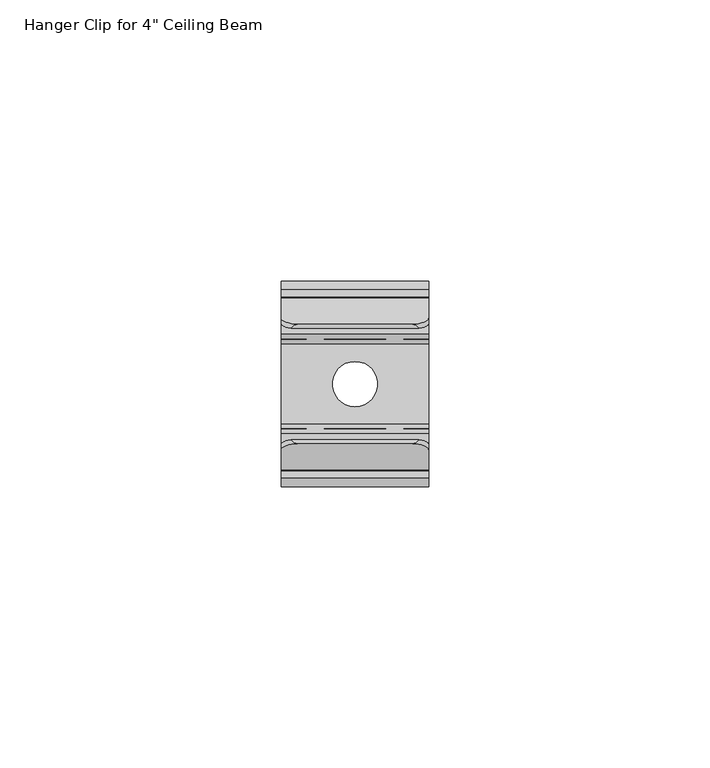
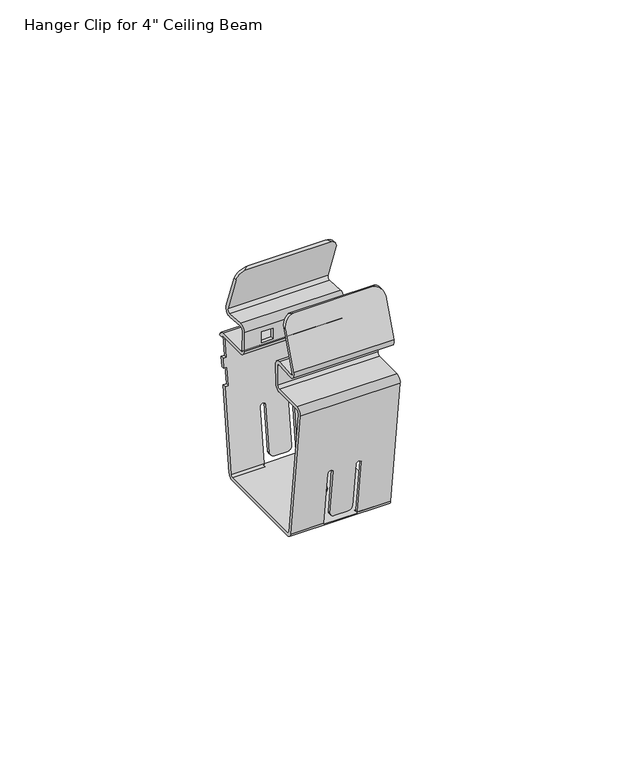
"""IFC4 building model written with IfcOpenShell, lengths in millimetres: proxy geometry."""

from ifc_helpers import new_model, si_unit, frame, origin, place, context, project, spatial, polyline, circle_curve, ellipse_curve, source, transform, mapped, element, save
from ifc_brep_helpers import plane_surface, cylinder_surface, revolved_surface, advanced_brep


def proxy_196735fa(model_context):
    return source(origin(), model_context, "Body", "AdvancedBrep", [
        advanced_brep(
        [(-0.045, 15.3451199, 183.8583087), (-0.045, 13.8049962, 181.8169039), (-0.045, 8.7938975, 182.1730228), (-0.045, 7.9779975, 181.399641), (-0.045, 8.0703061, 176.1112802), (-0.045, 8.8321901, 175.3625789), (-0.045, 16.7768681, 175.3625789), (-0.045, 18.2781782, 174.1005789), (-0.045, 17.4410608, 174.1005789), (-0.045, 16.7768681, 174.5525789), (-0.045, 8.8321901, 174.5525789), (-0.045, 7.2604295, 176.0971438), (-0.045, 7.1681208, 181.3855045), (-0.045, 8.8513162, 182.9809851), (-0.045, 13.8624149, 182.6248662), (-0.045, 14.5839689, 183.5812724), (-0.045, 10.8835423, 193.7481109), (-0.045, 11.7455263, 193.7481109), (-0.045, 13.944677, 138.267038), (-0.045, 12.5580901, 137.0402895), (-0.045, -12.5580901, 137.0402895), (-0.045, -13.944677, 138.267038), (-0.045, -18.2895084, 173.6528501), (-0.045, -16.7768681, 175.3625789), (-0.045, -8.8321901, 175.3625789), (-0.045, -8.0703061, 176.1112802), (-0.045, -7.9779975, 181.399641), (-0.045, -8.7938975, 182.1730228), (-0.045, -13.8049962, 181.8169039), (-0.045, -15.3451199, 183.8583087), (-0.045, -11.7455263, 193.7481109), (-0.045, -10.8835423, 193.7481109), (-0.045, -14.5839689, 183.5812724), (-0.045, -13.8624149, 182.6248662), (-0.045, -8.8513162, 182.9809851), (-0.045, -7.1681208, 181.3855045), (-0.045, -7.2604295, 176.0971438), (-0.045, -8.8321901, 174.5525789), (-0.045, -16.7768681, 174.5525789), (-0.045, -17.4855461, 173.7515642), (-0.045, -13.1407147, 138.3657522), (-0.045, -12.5580901, 137.8502895), (-0.045, 12.5580901, 137.8502895), (-0.045, 13.1407147, 138.3657522), (-0.045, 15.9322004, 161.1005789), (-0.045, 16.7482833, 161.1005789), (-0.045, 17.6522127, 168.4624925), (-0.045, 17.3299883, 165.8381859), (-0.045, 16.5139054, 165.8381859), (-0.045, 16.8361297, 168.4624925), (26.245, 14.5839689, 183.5812724), (26.245, 13.8624149, 182.6248662), (26.245, 8.8513162, 182.9809851), (26.245, 7.1681208, 181.3855045), (26.245, 7.2604295, 176.0971438), (26.245, 8.8321901, 174.5525789), (26.245, 16.7768681, 174.5525789), (26.245, 17.4410608, 174.1005789), (26.245, 18.2781782, 174.1005789), (26.245, 16.7768681, 175.3625789), (26.245, 8.8321901, 175.3625789), (26.245, 8.0703061, 176.1112802), (26.245, 7.9779975, 181.399641), (26.245, 8.7938975, 182.1730228), (26.245, 13.8049962, 181.8169039), (26.245, 15.3451199, 183.8583087), (26.245, 11.7455263, 193.7481109), (26.245, 10.8835423, 193.7481109), (26.245, 13.1407147, 138.3657522), (26.245, 12.5580901, 137.8502895), (26.245, -12.5580901, 137.8502895), (26.245, -13.1407147, 138.3657522), (26.245, -17.4855461, 173.7515642), (26.245, -16.7768681, 174.5525789), (26.245, -8.8321901, 174.5525789), (26.245, -7.2604295, 176.0971438), (26.245, -7.1681208, 181.3855045), (26.245, -8.8513162, 182.9809851), (26.245, -13.8624149, 182.6248662), (26.245, -14.5839689, 183.5812724), (26.245, -10.8835423, 193.7481109), (26.245, -11.7455263, 193.7481109), (26.245, -15.3451199, 183.8583087), (26.245, -13.8049962, 181.8169039), (26.245, -8.7938975, 182.1730228), (26.245, -7.9779975, 181.399641), (26.245, -8.0703061, 176.1112802), (26.245, -8.8321901, 175.3625789), (26.245, -16.7768681, 175.3625789), (26.245, -18.2895084, 173.6528501), (26.245, -13.944677, 138.267038), (26.245, -12.5580901, 137.0402895), (26.245, 12.5580901, 137.0402895), (26.245, 13.944677, 138.267038), (26.245, 16.7482833, 161.1005789), (26.245, 15.9322004, 161.1005789), (26.245, 16.8361297, 168.4624925), (26.245, 16.5139054, 165.8381859), (26.245, 17.3299883, 165.8381859), (26.245, 17.6522127, 168.4624925), (18.6649765, 8.0021925, 180.0135098), (18.6649765, 8.0545577, 177.0135098), (21.6649765, 8.0545577, 177.0135098), (21.6649765, 8.0021925, 180.0135098), (4.5350235, 8.0545577, 177.0135098), (7.5350235, 8.0545577, 177.0135098), (7.5350235, 8.0021925, 180.0135098), (4.5350235, 8.0021925, 180.0135098), (25.345, 18.2781782, 174.1005789), (25.345, 18.2895084, 173.6528501), (0.855, 18.2895084, 173.6528501), (0.855, 18.2781782, 174.1005789), (17.545, 13.944677, 138.267038), (17.545, 15.7693791, 153.1280438), (16.021, 15.7693791, 153.1280438), (16.021, 14.2478871, 140.7364861), (14.751, 14.0987644, 139.5219791), (11.449, 14.0987644, 139.5219791), (10.179, 14.2478871, 140.7364861), (10.179, 15.7683122, 153.1193544), (8.655, 15.7693791, 153.1280438), (8.655, 13.944677, 138.267038), (0.855, 16.7482833, 161.1005789), (0.855, 17.3299883, 165.8381859), (0.855, 17.6522127, 168.4624925), (25.345, 17.6522127, 168.4624925), (25.345, 17.3299883, 165.8381859), (25.345, 16.7482833, 161.1005789), (8.655, 13.8257809, 137.8502895), (17.545, 13.8257809, 137.8502895), (13.1, -4.0, 137.0402895), (13.1, 4.0, 137.0402895), (17.545, -13.944677, 138.267038), (17.545, -13.8257809, 137.8502895), (8.655, -13.8257809, 137.8502895), (8.655, -13.944677, 138.267038), (8.655, -15.7693791, 153.1280438), (10.179, -15.7683122, 153.1193544), (10.179, -14.2478871, 140.7364861), (11.449, -14.0987644, 139.5219791), (14.751, -14.0987644, 139.5219791), (16.021, -14.2478871, 140.7364861), (16.021, -15.7693791, 153.1280438), (17.545, -15.7693791, 153.1280438), (18.6649765, -8.0545577, 177.0135098), (18.6649765, -8.0021925, 180.0135098), (21.6649765, -8.0021925, 180.0135098), (21.6649765, -8.0545577, 177.0135098), (7.5350235, -8.0545577, 177.0135098), (4.5350235, -8.0545577, 177.0135098), (4.5350235, -8.0021925, 180.0135098), (7.5350235, -8.0021925, 180.0135098), (23.2552022, -10.6533985, 196.7487075), (2.9447978, -10.6533985, 196.7487075), (24.4428624, -9.8922474, 196.4716712), (1.7571376, -9.8922474, 196.4716712), (18.6649765, -7.1920691, 180.0135098), (18.6649765, -7.2444343, 177.0135098), (21.6649765, -7.2444343, 177.0135098), (21.6649765, -7.1920691, 180.0135098), (4.5350235, -7.2444343, 177.0135098), (7.5350235, -7.2444343, 177.0135098), (7.5350235, -7.1920691, 180.0135098), (4.5350235, -7.1920691, 180.0135098), (17.545, -13.1407147, 138.3657522), (17.545, -14.9532962, 153.1280438), (16.021, -14.9532962, 153.1280438), (16.021, -13.4318042, 140.7364861), (14.751, -13.2826815, 139.5219791), (11.449, -13.2826815, 139.5219791), (10.179, -13.4318042, 140.7364861), (10.179, -14.9522292, 153.1193544), (8.655, -14.9532962, 153.1280438), (8.655, -13.1407147, 138.3657522), (8.655, -12.5580901, 137.8502895), (17.545, -12.5580901, 137.8502895), (17.545, 12.5580901, 137.8502895), (8.655, 12.5580901, 137.8502895), (13.1, 4.0, 137.8502895), (13.1, -4.0, 137.8502895), (8.655, 13.1407147, 138.3657522), (17.545, 13.1407147, 138.3657522), (25.345, 15.9322004, 161.1005789), (25.345, 16.5139054, 165.8381859), (25.345, 16.8361297, 168.4624925), (25.345, 17.4855461, 173.7515642), (0.855, 17.4855461, 173.7515642), (0.855, 16.8361297, 168.4624925), (0.855, 16.5139054, 165.8381859), (0.855, 15.9322004, 161.1005789), (8.655, 14.9532962, 153.1280438), (10.179, 14.9522292, 153.1193544), (10.179, 13.4318042, 140.7364861), (11.449, 13.2826815, 139.5219791), (14.751, 13.2826815, 139.5219791), (16.021, 13.4318042, 140.7364861), (16.021, 14.9532962, 153.1280438), (17.545, 14.9532962, 153.1280438), (0.855, 17.4410608, 174.1005789), (25.345, 17.4410608, 174.1005789), (18.6649765, 7.2444343, 177.0135098), (18.6649765, 7.1920691, 180.0135098), (21.6649765, 7.1920691, 180.0135098), (21.6649765, 7.2444343, 177.0135098), (7.5350235, 7.2444343, 177.0135098), (4.5350235, 7.2444343, 177.0135098), (4.5350235, 7.1920691, 180.0135098), (7.5350235, 7.1920691, 180.0135098), (24.4428624, 9.8922474, 196.4716712), (1.7571376, 9.8922474, 196.4716712), (23.2552022, 10.6533985, 196.7487075), (2.9447978, 10.6533985, 196.7487075)],
        [
            (0, 1, circle_curve(frame((-0.045, 13.9130284, 183.33707), z_axis=(-1.0, 0.0, 0.0), x_axis=(0.0, -1.0, 0.0)), 1.524)),
            (1, 2),
            (2, 3, circle_curve(frame((-0.045, 8.7398814, 181.4129397), z_axis=(1.0, 0.0, 0.0), x_axis=(0.0, -1.0, 0.0)), 0.762)),
            (3, 4),
            (4, 5, circle_curve(frame((-0.045, 8.8321901, 176.1245789), z_axis=(1.0, 0.0, 0.0), x_axis=(0.0, -1.0, 0.0)), 0.762)),
            (5, 6),
            (6, 7, circle_curve(frame((-0.045, 16.7768681, 173.8385789), z_axis=(-1.0, 0.0, 0.0), x_axis=(0.0, -1.0, 0.0)), 1.524)),
            (7, 8),
            (8, 9, circle_curve(frame((-0.045, 16.7768681, 173.8385789), z_axis=(1.0, 0.0, 0.0), x_axis=(0.0, -1.0, 0.0)), 0.714)),
            (9, 10),
            (10, 11, circle_curve(frame((-0.045, 8.8321901, 176.1245789), z_axis=(-1.0, 0.0, 0.0), x_axis=(0.0, -1.0, 0.0)), 1.572)),
            (11, 12),
            (12, 13, circle_curve(frame((-0.045, 8.7398814, 181.4129397), z_axis=(-1.0, 0.0, 0.0), x_axis=(0.0, -1.0, 0.0)), 1.572)),
            (13, 14),
            (14, 15, circle_curve(frame((-0.045, 13.9130284, 183.33707), z_axis=(1.0, 0.0, 0.0), x_axis=(0.0, -1.0, 0.0)), 0.714)),
            (15, 16),
            (16, 17),
            (17, 0),
            (18, 19, circle_curve(frame((-0.045, 12.5580901, 138.4372895), z_axis=(-1.0, 0.0, 0.0), x_axis=(0.0, -1.0, 0.0)), 1.397)),
            (19, 20),
            (20, 21, circle_curve(frame((-0.045, -12.5580901, 138.4372895), z_axis=(-1.0, 0.0, 0.0), x_axis=(0.0, -1.0, 0.0)), 1.397)),
            (21, 22),
            (22, 23, circle_curve(frame((-0.045, -16.7768681, 173.8385789), z_axis=(-1.0, 0.0, 0.0), x_axis=(0.0, -1.0, 0.0)), 1.524)),
            (23, 24),
            (24, 25, circle_curve(frame((-0.045, -8.8321901, 176.1245789), z_axis=(1.0, 0.0, 0.0), x_axis=(0.0, -1.0, 0.0)), 0.762)),
            (25, 26),
            (26, 27, circle_curve(frame((-0.045, -8.7398814, 181.4129397), z_axis=(1.0, 0.0, 0.0), x_axis=(0.0, -1.0, 0.0)), 0.762)),
            (27, 28),
            (28, 29, circle_curve(frame((-0.045, -13.9130284, 183.33707), z_axis=(-1.0, 0.0, 0.0), x_axis=(0.0, -1.0, 0.0)), 1.524)),
            (29, 30),
            (30, 31),
            (31, 32),
            (32, 33, circle_curve(frame((-0.045, -13.9130284, 183.33707), z_axis=(1.0, 0.0, 0.0), x_axis=(0.0, -1.0, 0.0)), 0.714)),
            (33, 34),
            (34, 35, circle_curve(frame((-0.045, -8.7398814, 181.4129397), z_axis=(-1.0, 0.0, 0.0), x_axis=(0.0, -1.0, 0.0)), 1.572)),
            (35, 36),
            (36, 37, circle_curve(frame((-0.045, -8.8321901, 176.1245789), z_axis=(-1.0, 0.0, 0.0), x_axis=(0.0, -1.0, 0.0)), 1.572)),
            (37, 38),
            (38, 39, circle_curve(frame((-0.045, -16.7768681, 173.8385789), z_axis=(1.0, 0.0, 0.0), x_axis=(0.0, -1.0, 0.0)), 0.714)),
            (39, 40),
            (40, 41, circle_curve(frame((-0.045, -12.5580901, 138.4372895), z_axis=(1.0, 0.0, 0.0), x_axis=(0.0, -1.0, 0.0)), 0.587)),
            (41, 42),
            (42, 43, circle_curve(frame((-0.045, 12.5580901, 138.4372895), z_axis=(1.0, 0.0, 0.0), x_axis=(0.0, -1.0, 0.0)), 0.587)),
            (43, 44),
            (44, 45),
            (45, 18),
            (46, 47),
            (47, 48),
            (48, 49),
            (49, 46),
            (50, 51, circle_curve(frame((26.245, 13.9130284, 183.33707), z_axis=(-1.0, 0.0, 0.0), x_axis=(0.0, -1.0, 0.0)), 0.714)),
            (51, 52),
            (52, 53, circle_curve(frame((26.245, 8.7398814, 181.4129397), z_axis=(1.0, 0.0, 0.0), x_axis=(0.0, -1.0, 0.0)), 1.572)),
            (53, 54),
            (54, 55, circle_curve(frame((26.245, 8.8321901, 176.1245789), z_axis=(1.0, 0.0, 0.0), x_axis=(0.0, -1.0, 0.0)), 1.572)),
            (55, 56),
            (56, 57, circle_curve(frame((26.245, 16.7768681, 173.8385789), z_axis=(-1.0, 0.0, 0.0), x_axis=(0.0, -1.0, 0.0)), 0.714)),
            (57, 58),
            (58, 59, circle_curve(frame((26.245, 16.7768681, 173.8385789), z_axis=(1.0, 0.0, 0.0), x_axis=(0.0, -1.0, 0.0)), 1.524)),
            (59, 60),
            (60, 61, circle_curve(frame((26.245, 8.8321901, 176.1245789), z_axis=(-1.0, 0.0, 0.0), x_axis=(0.0, -1.0, 0.0)), 0.762)),
            (61, 62),
            (62, 63, circle_curve(frame((26.245, 8.7398814, 181.4129397), z_axis=(-1.0, 0.0, 0.0), x_axis=(0.0, -1.0, 0.0)), 0.762)),
            (63, 64),
            (64, 65, circle_curve(frame((26.245, 13.9130284, 183.33707), z_axis=(1.0, 0.0, 0.0), x_axis=(0.0, -1.0, 0.0)), 1.524)),
            (65, 66),
            (66, 67),
            (67, 50),
            (68, 69, circle_curve(frame((26.245, 12.5580901, 138.4372895), z_axis=(-1.0, 0.0, 0.0), x_axis=(0.0, -1.0, 0.0)), 0.587)),
            (69, 70),
            (70, 71, circle_curve(frame((26.245, -12.5580901, 138.4372895), z_axis=(-1.0, 0.0, 0.0), x_axis=(0.0, -1.0, 0.0)), 0.587)),
            (71, 72),
            (72, 73, circle_curve(frame((26.245, -16.7768681, 173.8385789), z_axis=(-1.0, 0.0, 0.0), x_axis=(0.0, -1.0, 0.0)), 0.714)),
            (73, 74),
            (74, 75, circle_curve(frame((26.245, -8.8321901, 176.1245789), z_axis=(1.0, 0.0, 0.0), x_axis=(0.0, -1.0, 0.0)), 1.572)),
            (75, 76),
            (76, 77, circle_curve(frame((26.245, -8.7398814, 181.4129397), z_axis=(1.0, 0.0, 0.0), x_axis=(0.0, -1.0, 0.0)), 1.572)),
            (77, 78),
            (78, 79, circle_curve(frame((26.245, -13.9130284, 183.33707), z_axis=(-1.0, 0.0, 0.0), x_axis=(0.0, -1.0, 0.0)), 0.714)),
            (79, 80),
            (80, 81),
            (81, 82),
            (82, 83, circle_curve(frame((26.245, -13.9130284, 183.33707), z_axis=(1.0, 0.0, 0.0), x_axis=(0.0, -1.0, 0.0)), 1.524)),
            (83, 84),
            (84, 85, circle_curve(frame((26.245, -8.7398814, 181.4129397), z_axis=(-1.0, 0.0, 0.0), x_axis=(0.0, -1.0, 0.0)), 0.762)),
            (85, 86),
            (86, 87, circle_curve(frame((26.245, -8.8321901, 176.1245789), z_axis=(-1.0, 0.0, 0.0), x_axis=(0.0, -1.0, 0.0)), 0.762)),
            (87, 88),
            (88, 89, circle_curve(frame((26.245, -16.7768681, 173.8385789), z_axis=(1.0, 0.0, 0.0), x_axis=(0.0, -1.0, 0.0)), 1.524)),
            (89, 90),
            (90, 91, circle_curve(frame((26.245, -12.5580901, 138.4372895), z_axis=(1.0, 0.0, 0.0), x_axis=(0.0, -1.0, 0.0)), 1.397)),
            (91, 92),
            (92, 93, circle_curve(frame((26.245, 12.5580901, 138.4372895), z_axis=(1.0, 0.0, 0.0), x_axis=(0.0, -1.0, 0.0)), 1.397)),
            (93, 94),
            (94, 95),
            (95, 68),
            (96, 97),
            (97, 98),
            (98, 99),
            (99, 96),
            (0, 65),
            (64, 1),
            (63, 2),
            (62, 3),
            (61, 4),
            (100, 101),
            (101, 102),
            (102, 103),
            (103, 100),
            (104, 105),
            (105, 106),
            (106, 107),
            (107, 104),
            (60, 5),
            (59, 6),
            (58, 108),
            (108, 109, circle_curve(frame((25.345, 16.7768681, 173.8385789), z_axis=(-1.0, 0.0, 0.0), x_axis=(0.0, -1.0, 0.0)), 1.524)),
            (109, 110),
            (110, 111, circle_curve(frame((0.855, 16.7768681, 173.8385789), z_axis=(1.0, 0.0, 0.0), x_axis=(0.0, -1.0, 0.0)), 1.524)),
            (111, 7),
            (93, 112),
            (112, 113),
            (113, 114, ellipse_curve(frame((16.783, 15.7688456, 153.1236991), z_axis=(0.0, -0.9925461516413259, 0.12186934340511611), x_axis=(0.0, 0.12186934340511688, 0.9925461516413258)), 0.767735, 0.7620124)),
            (114, 115),
            (115, 116, ellipse_curve(frame((14.7781403, 14.2513718, 140.7648665), z_axis=(0.0, 0.9925461516413259, -0.12186934340511611), x_axis=(0.0, -0.12186934340511688, -0.9925461516413258)), 1.2525198, 1.2431837)),
            (116, 117),
            (117, 118, ellipse_curve(frame((11.4218597, 14.2513718, 140.7648665), z_axis=(0.0, 0.9925461516413259, -0.12186934340511611), x_axis=(0.0, -0.12186934340511688, -0.9925461516413258)), 1.2525198, 1.2431837)),
            (118, 119),
            (119, 120, ellipse_curve(frame((9.417, 15.7688456, 153.1236991), z_axis=(0.0, -0.9925461516413259, 0.12186934340511611), x_axis=(0.0, 0.12186934340511688, 0.9925461516413258)), 0.767735, 0.7620124)),
            (120, 121),
            (121, 18),
            (45, 122),
            (122, 123),
            (123, 47),
            (46, 124),
            (124, 110),
            (109, 125),
            (125, 99),
            (98, 126),
            (126, 127),
            (127, 94),
            (121, 128, circle_curve(frame((8.655, 12.5580901, 138.4372895), z_axis=(-1.0, 0.0, 0.0), x_axis=(0.0, -1.0, 0.0)), 1.397)),
            (128, 129),
            (129, 112, circle_curve(frame((17.545, 12.5580901, 138.4372895), z_axis=(1.0, 0.0, 0.0), x_axis=(0.0, -1.0, 0.0)), 1.397)),
            (92, 19),
            (91, 20),
            (130, 131, circle_curve(frame((13.1, 0.0, 137.0402895), z_axis=(0.0, 0.0, 1.0), x_axis=(0.0, 1.0, 0.0)), 4.0)),
            (131, 130, circle_curve(frame((13.1, 0.0, 137.0402895), z_axis=(0.0, 0.0, 1.0), x_axis=(0.0, 1.0, 0.0)), 4.0)),
            (90, 132),
            (132, 133, circle_curve(frame((17.545, -12.5580901, 138.4372895), z_axis=(1.0, 0.0, 0.0), x_axis=(0.0, -1.0, 0.0)), 1.397)),
            (133, 134),
            (134, 135, circle_curve(frame((8.655, -12.5580901, 138.4372895), z_axis=(-1.0, 0.0, 0.0), x_axis=(0.0, -1.0, 0.0)), 1.397)),
            (135, 21),
            (135, 136),
            (136, 137, ellipse_curve(frame((9.417, -15.7688456, 153.1236991), z_axis=(0.0, 0.9925461516413222, 0.12186934340514596), x_axis=(0.0, 0.12186934340514537, -0.9925461516413223)), 0.767735, 0.7620124)),
            (137, 138),
            (138, 139, ellipse_curve(frame((11.4218597, -14.2513718, 140.7648665), z_axis=(0.0, -0.9925461516413222, -0.12186934340514596), x_axis=(0.0, -0.12186934340514537, 0.9925461516413223)), 1.2525198, 1.2431837)),
            (139, 140),
            (140, 141, ellipse_curve(frame((14.7781403, -14.2513718, 140.7648665), z_axis=(0.0, -0.9925461516413222, -0.12186934340514596), x_axis=(0.0, -0.12186934340514537, 0.9925461516413223)), 1.2525198, 1.2431837)),
            (141, 142),
            (142, 143, ellipse_curve(frame((16.783, -15.7688456, 153.1236991), z_axis=(0.0, 0.9925461516413222, 0.12186934340514596), x_axis=(0.0, 0.12186934340514537, -0.9925461516413223)), 0.767735, 0.7620124)),
            (143, 132),
            (89, 22),
            (88, 23),
            (87, 24),
            (86, 25),
            (85, 26),
            (144, 145),
            (145, 146),
            (146, 147),
            (147, 144),
            (148, 149),
            (149, 150),
            (150, 151),
            (151, 148),
            (84, 27),
            (83, 28),
            (82, 29),
            (81, 152, ellipse_curve(frame((23.1623511, -11.7752764, 193.6663734), z_axis=(0.0, -0.9396926207858924, 0.3420201433257125), x_axis=(0.0, -0.3420201433257127, -0.9396926207858924)), 3.2816394, 3.0837323)),
            (152, 153),
            (153, 30, ellipse_curve(frame((3.0376489, -11.7752764, 193.6663734), z_axis=(0.0, -0.9396926207858924, 0.3420201433257125), x_axis=(0.0, -0.3420201433257127, -0.9396926207858924)), 3.2816394, 3.0837323)),
            (152, 154, ellipse_curve(frame((23.1623511, -2.184755, 193.6663734), z_axis=(0.0, 0.34202014332569053, 0.9396926207859004), x_axis=(0.0, -0.9396926207859005, 0.3420201433256906)), 9.0162302, 3.0837323)),
            (154, 155),
            (155, 153, ellipse_curve(frame((3.0376489, -2.184755, 193.6663734), z_axis=(0.0, 0.34202014332569053, 0.9396926207859004), x_axis=(0.0, -0.9396926207859005, 0.3420201433256906)), 9.0162302, 3.0837323)),
            (79, 32),
            (31, 155, ellipse_curve(frame((3.0376489, -10.9132924, 193.6663734), z_axis=(0.0, 0.9396926207858953, -0.34202014332570446), x_axis=(0.0, -0.34202014332570485, -0.9396926207858952)), 3.2816394, 3.0837323)),
            (154, 80, ellipse_curve(frame((23.1623511, -10.9132924, 193.6663734), z_axis=(0.0, 0.9396926207858953, -0.34202014332570446), x_axis=(0.0, -0.34202014332570485, -0.9396926207858952)), 3.2816394, 3.0837323)),
            (78, 33),
            (77, 34),
            (76, 35),
            (75, 36),
            (156, 157),
            (157, 158),
            (158, 159),
            (159, 156),
            (160, 161),
            (161, 162),
            (162, 163),
            (163, 160),
            (74, 37),
            (73, 38),
            (72, 39),
            (71, 164),
            (164, 165),
            (165, 166, ellipse_curve(frame((16.783, -14.9527627, 153.1236991), z_axis=(0.0, -0.9925461516413229, -0.1218693434051409), x_axis=(0.0, 0.12186934340514041, -0.9925461516413229)), 0.767735, 0.7620124)),
            (166, 167),
            (167, 168, ellipse_curve(frame((14.7781403, -13.4352889, 140.7648665), z_axis=(0.0, 0.9925461516413229, 0.1218693434051409), x_axis=(0.0, -0.12186934340514041, 0.9925461516413229)), 1.2525198, 1.2431837)),
            (168, 169),
            (169, 170, ellipse_curve(frame((11.4218597, -13.4352889, 140.7648665), z_axis=(0.0, 0.9925461516413229, 0.1218693434051409), x_axis=(0.0, -0.12186934340514041, 0.9925461516413229)), 1.2525198, 1.2431837)),
            (170, 171),
            (171, 172, ellipse_curve(frame((9.417, -14.9527627, 153.1236991), z_axis=(0.0, -0.9925461516413229, -0.1218693434051409), x_axis=(0.0, 0.12186934340514041, -0.9925461516413229)), 0.767735, 0.7620124)),
            (172, 173),
            (173, 40),
            (173, 174, circle_curve(frame((8.655, -12.5580901, 138.4372895), z_axis=(1.0, 0.0, 0.0), x_axis=(0.0, -1.0, 0.0)), 0.587)),
            (174, 41),
            (70, 175),
            (175, 164, circle_curve(frame((17.545, -12.5580901, 138.4372895), z_axis=(-1.0, 0.0, 0.0), x_axis=(0.0, -1.0, 0.0)), 0.587)),
            (174, 134),
            (133, 175),
            (69, 176),
            (176, 129),
            (128, 177),
            (177, 42),
            (178, 179, circle_curve(frame((13.1, 0.0, 137.8502895), z_axis=(0.0, 0.0, -1.0), x_axis=(0.0, 1.0, 0.0)), 4.0)),
            (179, 178, circle_curve(frame((13.1, 0.0, 137.8502895), z_axis=(0.0, 0.0, -1.0), x_axis=(0.0, 1.0, 0.0)), 4.0)),
            (177, 180, circle_curve(frame((8.655, 12.5580901, 138.4372895), z_axis=(1.0, 0.0, 0.0), x_axis=(0.0, -1.0, 0.0)), 0.587)),
            (180, 43),
            (68, 181),
            (181, 176, circle_curve(frame((17.545, 12.5580901, 138.4372895), z_axis=(-1.0, 0.0, 0.0), x_axis=(0.0, -1.0, 0.0)), 0.587)),
            (95, 182),
            (182, 183),
            (183, 97),
            (96, 184),
            (184, 185),
            (185, 186),
            (186, 187),
            (187, 49),
            (48, 188),
            (188, 189),
            (189, 44),
            (180, 190),
            (190, 191, ellipse_curve(frame((9.417, 14.9527627, 153.1236991), z_axis=(0.0, 0.9925461516413253, -0.12186934340512122), x_axis=(0.0, 0.12186934340512089, 0.9925461516413253)), 0.767735, 0.7620124)),
            (191, 192),
            (192, 193, ellipse_curve(frame((11.4218597, 13.4352889, 140.7648665), z_axis=(0.0, -0.9925461516413253, 0.12186934340512122), x_axis=(0.0, -0.12186934340512089, -0.9925461516413253)), 1.2525198, 1.2431837)),
            (193, 194),
            (194, 195, ellipse_curve(frame((14.7781403, 13.4352889, 140.7648665), z_axis=(0.0, -0.9925461516413253, 0.12186934340512122), x_axis=(0.0, -0.12186934340512089, -0.9925461516413253)), 1.2525198, 1.2431837)),
            (195, 196),
            (196, 197, ellipse_curve(frame((16.783, 14.9527627, 153.1236991), z_axis=(0.0, 0.9925461516413253, -0.12186934340512122), x_axis=(0.0, 0.12186934340512089, 0.9925461516413253)), 0.767735, 0.7620124)),
            (197, 181),
            (56, 9),
            (8, 198),
            (198, 186, circle_curve(frame((0.855, 16.7768681, 173.8385789), z_axis=(-1.0, 0.0, 0.0), x_axis=(0.0, -1.0, 0.0)), 0.714)),
            (185, 199, circle_curve(frame((25.345, 16.7768681, 173.8385789), z_axis=(1.0, 0.0, 0.0), x_axis=(0.0, -1.0, 0.0)), 0.714)),
            (199, 57),
            (55, 10),
            (54, 11),
            (53, 12),
            (200, 201),
            (201, 202),
            (202, 203),
            (203, 200),
            (204, 205),
            (205, 206),
            (206, 207),
            (207, 204),
            (52, 13),
            (51, 14),
            (50, 15),
            (67, 208, ellipse_curve(frame((23.1623511, 10.9132924, 193.6663734), z_axis=(0.0, -0.9396926207858836, -0.3420201433257372), x_axis=(0.0, -0.3420201433257366, 0.9396926207858837)), 3.2816394, 3.0837323)),
            (208, 209),
            (209, 16, ellipse_curve(frame((3.0376489, 10.9132924, 193.6663734), z_axis=(0.0, -0.9396926207858836, -0.3420201433257372), x_axis=(0.0, -0.3420201433257366, 0.9396926207858837)), 3.2816394, 3.0837323)),
            (208, 210, ellipse_curve(frame((23.1623511, 2.184755, 193.6663734), z_axis=(0.0, -0.3420201433257092, 0.9396926207858937), x_axis=(0.0, -0.9396926207858938, -0.3420201433257092)), 9.0162302, 3.0837323)),
            (210, 211),
            (211, 209, ellipse_curve(frame((3.0376489, 2.184755, 193.6663734), z_axis=(0.0, -0.3420201433257092, 0.9396926207858937), x_axis=(0.0, -0.9396926207858938, -0.3420201433257092)), 9.0162302, 3.0837323)),
            (17, 211, ellipse_curve(frame((3.0376489, 11.7752764, 193.6663734), z_axis=(0.0, 0.9396926207858872, 0.3420201433257272), x_axis=(0.0, -0.3420201433257265, 0.9396926207858874)), 3.2816394, 3.0837323)),
            (210, 66, ellipse_curve(frame((23.1623511, 11.7752764, 193.6663734), z_axis=(0.0, 0.9396926207858872, 0.3420201433257272), x_axis=(0.0, -0.3420201433257265, 0.9396926207858874)), 3.2816394, 3.0837323)),
            (143, 165),
            (197, 113),
            (172, 136),
            (120, 190),
            (119, 191),
            (171, 137),
            (170, 138),
            (118, 192),
            (169, 139),
            (117, 193),
            (168, 140),
            (116, 194),
            (167, 141),
            (115, 195),
            (166, 142),
            (114, 196),
            (130, 179),
            (178, 131),
            (144, 157),
            (156, 145),
            (200, 101),
            (100, 201),
            (159, 146),
            (103, 202),
            (158, 147),
            (102, 203),
            (148, 161),
            (160, 149),
            (204, 105),
            (104, 205),
            (163, 150),
            (107, 206),
            (162, 151),
            (106, 207),
            (182, 127),
            (126, 183),
            (199, 108),
            (125, 184),
            (189, 122),
            (111, 198),
            (124, 187),
            (123, 188),
        ],
        [
            plane_surface(frame((-0.045, 12.3890284, 183.33707), z_axis=(-1.0, 0.0, 0.0), x_axis=(0.0, 0.0, 1.0))),
            plane_surface(frame((26.245, 12.3890284, 183.33707), z_axis=(1.0, 0.0, 0.0), x_axis=(0.0, 0.0, -1.0))),
            cylinder_surface(frame((26.245, 13.9130284, 183.33707), z_axis=(-1.0, 0.0, 0.0), x_axis=(0.0, -1.0, 0.0)), 1.524),
            plane_surface(frame((-0.045, 13.8049962, 181.8169039), z_axis=(0.0, -0.07088724967761441, -0.9974843346304461), x_axis=(1.0, 0.0, 0.0))),
            revolved_surface(polyline([(26.245, 7.977881399999999, 181.4129397), (-0.045000000000001705, 7.977881399999999, 181.4129397)]), (26.245, 8.7398814, 181.4129397), (1.0, 0.0, 0.0)),
            plane_surface(frame((-0.045, 7.9779975, 181.399641), z_axis=(0.0, 0.9998476951563915, 0.017452406437272774), x_axis=(1.0, 0.0, 0.0))),
            revolved_surface(polyline([(26.245, 8.0701901, 176.1245789), (-0.045000000000001705, 8.0701901, 176.1245789)]), (26.245, 8.8321901, 176.1245789), (1.0, 0.0, 0.0)),
            plane_surface(frame((-0.045, 8.8321901, 175.3625789), z_axis=(0.0, 0.0, 1.0), x_axis=(1.0, 0.0, 0.0))),
            cylinder_surface(frame((26.245, 16.7768681, 173.8385789), z_axis=(-1.0, 0.0, 0.0), x_axis=(0.0, -1.0, 0.0)), 1.524),
            plane_surface(frame((-0.045, 18.2895084, 173.6528501), z_axis=(0.0, 0.9925461516413259, -0.12186934340511611), x_axis=(1.0, 0.0, 0.0))),
            cylinder_surface(frame((26.245, 12.5580901, 138.4372895), z_axis=(-1.0, 0.0, 0.0), x_axis=(0.0, -1.0, 0.0)), 1.397),
            plane_surface(frame((-0.045, 12.5580901, 137.0402895), z_axis=(0.0, 0.0, -1.0), x_axis=(1.0, 0.0, 0.0))),
            cylinder_surface(frame((26.245, -12.5580901, 138.4372895), z_axis=(-1.0, 0.0, 0.0), x_axis=(0.0, -1.0, 0.0)), 1.397),
            plane_surface(frame((-0.045, -13.944677, 138.267038), z_axis=(0.0, -0.9925461516413222, -0.12186934340514596), x_axis=(1.0, 0.0, 0.0))),
            cylinder_surface(frame((26.245, -16.7768681, 173.8385789), z_axis=(-1.0, 0.0, 0.0), x_axis=(0.0, -1.0, 0.0)), 1.524),
            plane_surface(frame((-0.045, -16.7768681, 175.3625789), z_axis=(0.0, 0.0, 1.0), x_axis=(1.0, 0.0, 0.0))),
            revolved_surface(polyline([(26.245, -9.5941901, 176.1245789), (-0.045000000000001705, -9.5941901, 176.1245789)]), (26.245, -8.8321901, 176.1245789), (1.0, 0.0, 0.0)),
            plane_surface(frame((-0.045, -8.0703061, 176.1112802), z_axis=(0.0, -0.9998476951563917, 0.01745240643725538), x_axis=(1.0, 0.0, 0.0))),
            revolved_surface(polyline([(26.245, -9.5018814, 181.4129397), (-0.045000000000001705, -9.5018814, 181.4129397)]), (26.245, -8.7398814, 181.4129397), (1.0, 0.0, 0.0)),
            plane_surface(frame((-0.045, -8.7938975, 182.1730228), z_axis=(0.0, 0.07088724967755075, -0.9974843346304505), x_axis=(1.0, 0.0, 0.0))),
            cylinder_surface(frame((26.245, -13.9130284, 183.33707), z_axis=(-1.0, 0.0, 0.0), x_axis=(0.0, -1.0, 0.0)), 1.524),
            plane_surface(frame((-0.045, -15.3451199, 183.8583087), z_axis=(0.0, -0.9396926207858924, 0.3420201433257125), x_axis=(1.0, 0.0, 0.0))),
            plane_surface(frame((-0.045, -10.6533985, 196.7487075), z_axis=(0.0, 0.34202014332569053, 0.9396926207859004), x_axis=(1.0, 0.0, 0.0))),
            plane_surface(frame((-0.045, -9.8922474, 196.4716712), z_axis=(0.0, 0.9396926207858953, -0.34202014332570446), x_axis=(1.0, 0.0, 0.0))),
            revolved_surface(polyline([(26.245, -14.6270284, 183.33707), (-0.045000000000001705, -14.6270284, 183.33707)]), (26.245, -13.9130284, 183.33707), (1.0, 0.0, 0.0)),
            plane_surface(frame((-0.045, -13.8624149, 182.6248662), z_axis=(0.0, -0.07088724967764339, 0.997484334630444), x_axis=(1.0, 0.0, 0.0))),
            cylinder_surface(frame((26.245, -8.7398814, 181.4129397), z_axis=(-1.0, 0.0, 0.0), x_axis=(0.0, -1.0, 0.0)), 1.572),
            plane_surface(frame((-0.045, -7.1681208, 181.3855045), z_axis=(0.0, 0.9998476951563919, -0.017452406437247388), x_axis=(1.0, 0.0, 0.0))),
            cylinder_surface(frame((26.245, -8.8321901, 176.1245789), z_axis=(-1.0, 0.0, 0.0), x_axis=(0.0, -1.0, 0.0)), 1.572),
            plane_surface(frame((-0.045, -8.8321901, 174.5525789), z_axis=(0.0, 0.0, -1.0), x_axis=(1.0, 0.0, 0.0))),
            revolved_surface(polyline([(26.245, -17.4908681, 173.8385789), (-0.045000000000001705, -17.4908681, 173.8385789)]), (26.245, -16.7768681, 173.8385789), (1.0, 0.0, 0.0)),
            plane_surface(frame((-0.045, -17.4855461, 173.7515642), z_axis=(0.0, 0.9925461516413229, 0.1218693434051409), x_axis=(1.0, 0.0, 0.0))),
            revolved_surface(polyline([(8.654999999999998, -13.145090099999999, 138.4372895), (-0.045000000000001705, -13.145090099999999, 138.4372895)]), (26.245, -12.5580901, 138.4372895), (1.0, 0.0, 0.0)),
            revolved_surface(polyline([(26.245, -13.145090099999999, 138.4372895), (17.545, -13.145090099999999, 138.4372895)]), (26.245, -12.5580901, 138.4372895), (1.0, 0.0, 0.0)),
            plane_surface(frame((-0.045, -12.5580901, 137.8502895), z_axis=(0.0, 0.0, 1.0), x_axis=(1.0, 0.0, 0.0))),
            revolved_surface(polyline([(8.654999999999998, 11.9710901, 138.4372895), (-0.045000000000001705, 11.9710901, 138.4372895)]), (26.245, 12.5580901, 138.4372895), (1.0, 0.0, 0.0)),
            revolved_surface(polyline([(26.245, 11.9710901, 138.4372895), (17.545, 11.9710901, 138.4372895)]), (26.245, 12.5580901, 138.4372895), (1.0, 0.0, 0.0)),
            plane_surface(frame((-0.045, 13.1407147, 138.3657522), z_axis=(0.0, -0.9925461516413253, 0.12186934340512122), x_axis=(1.0, 0.0, 0.0))),
            revolved_surface(polyline([(26.245, 16.062868100000003, 173.8385789), (-0.045000000000001705, 16.062868100000003, 173.8385789)]), (26.245, 16.7768681, 173.8385789), (1.0, 0.0, 0.0)),
            plane_surface(frame((-0.045, 16.7768681, 174.5525789), z_axis=(0.0, 0.0, -1.0), x_axis=(1.0, 0.0, 0.0))),
            cylinder_surface(frame((26.245, 8.8321901, 176.1245789), z_axis=(-1.0, 0.0, 0.0), x_axis=(0.0, -1.0, 0.0)), 1.572),
            plane_surface(frame((-0.045, 7.2604295, 176.0971438), z_axis=(0.0, -0.9998476951563913, -0.017452406437280795), x_axis=(1.0, 0.0, 0.0))),
            cylinder_surface(frame((26.245, 8.7398814, 181.4129397), z_axis=(-1.0, 0.0, 0.0), x_axis=(0.0, -1.0, 0.0)), 1.572),
            plane_surface(frame((-0.045, 8.8513162, 182.9809851), z_axis=(0.0, 0.07088724967752064, 0.9974843346304527), x_axis=(1.0, 0.0, 0.0))),
            revolved_surface(polyline([(26.245, 13.1990284, 183.33707), (-0.045000000000001705, 13.1990284, 183.33707)]), (26.245, 13.9130284, 183.33707), (1.0, 0.0, 0.0)),
            plane_surface(frame((-0.045, 14.5839689, 183.5812724), z_axis=(0.0, -0.9396926207858836, -0.3420201433257372), x_axis=(1.0, 0.0, 0.0))),
            plane_surface(frame((-0.045, 9.8922474, 196.4716712), z_axis=(0.0, -0.3420201433257092, 0.9396926207858937), x_axis=(1.0, 0.0, 0.0))),
            plane_surface(frame((-0.045, 10.6533985, 196.7487075), z_axis=(0.0, 0.9396926207858872, 0.3420201433257272), x_axis=(1.0, 0.0, 0.0))),
            cylinder_surface(frame((23.1623511, -16.0, 193.6663734), z_axis=(0.0, -1.0000000000000002, 0.0), x_axis=(-0.030109977488837304, 0.0, 0.9995465918383304)), 3.0837323),
            cylinder_surface(frame((3.0376489, 0.0, 193.6663734), z_axis=(0.0, -1.0, 0.0), x_axis=(-0.999486511466432, 0.0, 0.032042368774203196)), 3.0837323),
            plane_surface(frame((17.545, 16.0, 153.1280438), z_axis=(-1.0, 0.0, 0.0), x_axis=(0.0, -1.0, 0.0))),
            plane_surface(frame((8.655, 16.0, 137.8502895), z_axis=(1.0, 0.0, 0.0), x_axis=(0.0, -1.0, 0.0))),
            revolved_surface(polyline([(10.179000014077427, 15.862408960359128, 153.11935441361783), (10.179000014077427, 14.859199339640869, 153.11935441361783)]), (9.417, 0.0, 153.1236991), (0.0, 1.0, 0.0)),
            revolved_surface(polyline([(10.179000014077427, -14.859199339640854, 153.11935441361783), (10.179000014077427, -15.86240896035915, 153.11935441361783)]), (9.417, 0.0, 153.1236991), (0.0, 1.0, 0.0)),
            plane_surface(frame((10.179, 16.0, 153.1193544), z_axis=(-1.0, 0.0, 0.0), x_axis=(0.0, -1.0, 0.0))),
            cylinder_surface(frame((11.4218597, 0.0, 140.7648665), z_axis=(0.0, -1.0000000000000002, 0.0), x_axis=(0.021831275083267855, 0.0, -0.9997616693133614)), 1.2431837),
            plane_surface(frame((11.449, 16.0, 139.5219791), z_axis=(0.0, 0.0, -1.0), x_axis=(0.0, -1.0, 0.0))),
            cylinder_surface(frame((14.7781403, 0.0, 140.7648665), z_axis=(0.0, -1.0, 0.0), x_axis=(0.9997393893428932, 0.0, -0.022828784380667683)), 1.2431837),
            plane_surface(frame((16.021, 16.0, 140.7364861), z_axis=(1.0, 0.0, 0.0), x_axis=(0.0, -1.0, 0.0))),
            revolved_surface(polyline([(17.54500001407743, -14.859199339640854, 153.1280437863822), (17.54500001407743, -15.86240896035915, 153.1280437863822)]), (16.783, 0.0, 153.1236991), (0.0, 1.0, 0.0)),
            revolved_surface(polyline([(17.54500001407743, 15.862408960359128, 153.1280437863822), (17.54500001407743, 14.859199339640869, 153.1280437863822)]), (16.783, 0.0, 153.1236991), (0.0, 1.0, 0.0)),
            revolved_surface(polyline([(13.1, 4.0, 137.8502895), (13.1, 4.0, 137.0402895)]), (13.1, 0.0, 132.0402895), (0.0, 0.0, 1.0)),
            plane_surface(frame((18.6649765, 9.0, 177.0135098), z_axis=(1.0, 0.0, 0.0), x_axis=(0.0, -1.0, 0.0))),
            plane_surface(frame((18.6649765, 9.0, 180.0135098), z_axis=(0.0, 0.0, -1.0), x_axis=(0.0, -1.0, 0.0))),
            plane_surface(frame((21.6649765, 9.0, 180.0135098), z_axis=(-1.0, 0.0, 0.0), x_axis=(0.0, -1.0, 0.0))),
            plane_surface(frame((21.6649765, 9.0, 177.0135098), z_axis=(0.0, 0.0, 1.0), x_axis=(0.0, -1.0, 0.0))),
            plane_surface(frame((7.5350235, 9.0, 177.0135098), z_axis=(0.0, 0.0, 1.0), x_axis=(0.0, -1.0, 0.0))),
            plane_surface(frame((4.5350235, 9.0, 177.0135098), z_axis=(1.0, 0.0, 0.0), x_axis=(0.0, -1.0, 0.0))),
            plane_surface(frame((4.5350235, 9.0, 180.0135098), z_axis=(0.0, 0.0, -1.0), x_axis=(0.0, -1.0, 0.0))),
            plane_surface(frame((7.5350235, 9.0, 180.0135098), z_axis=(-1.0, 0.0, 0.0), x_axis=(0.0, -1.0, 0.0))),
            plane_surface(frame((25.345, 19.0, 161.1005789), z_axis=(1.0, 0.0, 0.0), x_axis=(0.0, -1.0, 0.0))),
            plane_surface(frame((25.345, 19.0, 174.1005789), z_axis=(0.0, 0.0, -1.0), x_axis=(0.0, -1.0, 0.0))),
            plane_surface(frame((27.757876, 19.0, 161.1005789), z_axis=(0.0, 0.0, 1.0), x_axis=(0.0, -1.0, 0.0))),
            plane_surface(frame((25.345, 19.0, 165.8381859), z_axis=(0.0, 0.0, -1.0), x_axis=(0.0, -1.0, 0.0))),
            plane_surface(frame((26.245, 19.0, 168.4624925), z_axis=(0.0, 0.0, 1.0), x_axis=(0.0, -1.0, 0.0))),
            plane_surface(frame((25.345, 19.0, 168.4624925), z_axis=(1.0, 0.0, 0.0), x_axis=(0.0, -1.0, 0.0))),
            plane_surface(frame((0.855, 19.0, 161.1005789), z_axis=(0.0, 0.0, 1.0), x_axis=(0.0, -1.0, 0.0))),
            plane_surface(frame((-1.557876, 19.0, 174.1005789), z_axis=(0.0, 0.0, -1.0), x_axis=(0.0, -1.0, 0.0))),
            plane_surface(frame((0.855, 19.0, 174.1005789), z_axis=(-1.0, 0.0, 0.0), x_axis=(0.0, -1.0, 0.0))),
            plane_surface(frame((0.855, 19.0, 168.4624925), z_axis=(0.0, 0.0, 1.0), x_axis=(0.0, -1.0, 0.0))),
            plane_surface(frame((-0.045, 19.0, 165.8381859), z_axis=(0.0, 0.0, -1.0), x_axis=(0.0, -1.0, 0.0))),
            plane_surface(frame((0.855, 19.0, 165.8381859), z_axis=(-1.0, 0.0, 0.0), x_axis=(0.0, -1.0, 0.0))),
        ],
        [
            (0, [[1, 2, 3, 4, 5, 6, 7, 8, 9, 10, 11, 12, 13, 14, 15, 16, 17, 18]]),
            (0, [[19, 20, 21, 22, 23, 24, 25, 26, 27, 28, 29, 30, 31, 32, 33, 34, 35, 36, 37, 38, 39, 40, 41, 42, 43, 44, 45, 46]]),
            (0, [[47, 48, 49, 50]]),
            (1, [[51, 52, 53, 54, 55, 56, 57, 58, 59, 60, 61, 62, 63, 64, 65, 66, 67, 68]]),
            (1, [[69, 70, 71, 72, 73, 74, 75, 76, 77, 78, 79, 80, 81, 82, 83, 84, 85, 86, 87, 88, 89, 90, 91, 92, 93, 94, 95, 96]]),
            (1, [[97, 98, 99, 100]]),
            (2, [[-1, 101, -65, 102]]),
            (3, [[-2, -102, -64, 103]]),
            (4, [[-3, -103, -63, 104]]),
            (5, [[-4, -104, -62, 105], [106, 107, 108, 109], [110, 111, 112, 113]]),
            (6, [[-5, -105, -61, 114]]),
            (7, [[-6, -114, -60, 115]]),
            (8, [[-115, -59, 116, 117, 118, 119, 120, -7]]),
            (9, [[121, 122, 123, 124, 125, 126, 127, 128, 129, 130, 131, -46, 132, 133, 134, -47, 135, 136, -118, 137, 138, -99, 139, 140, 141, -94]]),
            (10, [[-19, -131, 142, 143, 144, -121, -93, 145]]),
            (11, [[-20, -145, -92, 146], [147, 148]]),
            (12, [[-21, -146, -91, 149, 150, 151, 152, 153]]),
            (13, [[-22, -153, 154, 155, 156, 157, 158, 159, 160, 161, 162, -149, -90, 163]]),
            (14, [[-23, -163, -89, 164]]),
            (15, [[-24, -164, -88, 165]]),
            (16, [[-25, -165, -87, 166]]),
            (17, [[-26, -166, -86, 167], [168, 169, 170, 171], [172, 173, 174, 175]]),
            (18, [[-27, -167, -85, 176]]),
            (19, [[-28, -176, -84, 177]]),
            (20, [[-29, -177, -83, 178]]),
            (21, [[-178, -82, 179, 180, 181, -30]]),
            (22, [[-180, 182, 183, 184]]),
            (23, [[185, -32, 186, -183, 187, -80]]),
            (24, [[-33, -185, -79, 188]]),
            (25, [[-34, -188, -78, 189]]),
            (26, [[-35, -189, -77, 190]]),
            (27, [[-36, -190, -76, 191], [192, 193, 194, 195], [196, 197, 198, 199]]),
            (28, [[-37, -191, -75, 200]]),
            (29, [[-38, -200, -74, 201]]),
            (30, [[-39, -201, -73, 202]]),
            (31, [[-40, -202, -72, 203, 204, 205, 206, 207, 208, 209, 210, 211, 212, 213]]),
            (32, [[-41, -213, 214, 215]]),
            (33, [[-71, 216, 217, -203]]),
            (34, [[-42, -215, 218, -151, 219, -216, -70, 220, 221, -143, 222, 223], [224, 225]]),
            (35, [[-43, -223, 226, 227]]),
            (36, [[-69, 228, 229, -220]]),
            (37, [[-228, -96, 230, 231, 232, -97, 233, 234, 235, 236, 237, -49, 238, 239, 240, -44, -227, 241, 242, 243, 244, 245, 246, 247, 248, 249]]),
            (38, [[250, -9, 251, 252, -235, 253, 254, -57]]),
            (39, [[-10, -250, -56, 255]]),
            (40, [[-11, -255, -55, 256]]),
            (41, [[-12, -256, -54, 257], [258, 259, 260, 261], [262, 263, 264, 265]]),
            (42, [[-13, -257, -53, 266]]),
            (43, [[-14, -266, -52, 267]]),
            (44, [[-15, -267, -51, 268]]),
            (45, [[-268, -68, 269, 270, 271, -16]]),
            (46, [[-270, 272, 273, 274]]),
            (47, [[-101, -18, 275, -273, 276, -66]]),
            (48, [[-67, -276, -272, -269]]),
            (48, [[-81, -187, -182, -179]]),
            (49, [[-17, -271, -274, -275]]),
            (49, [[-31, -181, -184, -186]]),
            (50, [[277, -204, -217, -219, -150, -162]]),
            (50, [[278, -122, -144, -221, -229, -249]]),
            (51, [[-218, -214, -212, 279, -154, -152]]),
            (51, [[-222, -142, -130, 280, -241, -226]]),
            (52, [[-280, -129, 281, -242]]),
            (53, [[-279, -211, 282, -155]]),
            (54, [[-282, -210, 283, -156]]),
            (54, [[-281, -128, 284, -243]]),
            (55, [[-283, -209, 285, -157]]),
            (55, [[-284, -127, 286, -244]]),
            (56, [[-285, -208, 287, -158]]),
            (56, [[-286, -126, 288, -245]]),
            (57, [[-287, -207, 289, -159]]),
            (57, [[-288, -125, 290, -246]]),
            (58, [[-289, -206, 291, -160]]),
            (58, [[-290, -124, 292, -247]]),
            (59, [[-277, -161, -291, -205]]),
            (60, [[-278, -248, -292, -123]]),
            (61, [[293, -224, 294, -147]]),
            (61, [[-293, -148, -294, -225]]),
            (62, [[295, -192, 296, -168]]),
            (62, [[297, -106, 298, -258]]),
            (63, [[-296, -195, 299, -169]]),
            (63, [[-298, -109, 300, -259]]),
            (64, [[-299, -194, 301, -170]]),
            (64, [[-300, -108, 302, -260]]),
            (65, [[-295, -171, -301, -193]]),
            (65, [[-297, -261, -302, -107]]),
            (66, [[303, -196, 304, -172]]),
            (66, [[305, -110, 306, -262]]),
            (67, [[-304, -199, 307, -173]]),
            (67, [[-306, -113, 308, -263]]),
            (68, [[-307, -198, 309, -174]]),
            (68, [[-308, -112, 310, -264]]),
            (69, [[-303, -175, -309, -197]]),
            (69, [[-305, -265, -310, -111]]),
            (70, [[311, -140, 312, -231]]),
            (71, [[313, -116, -58, -254]]),
            (72, [[-311, -230, -95, -141]]),
            (73, [[-312, -139, -98, -232]]),
            (74, [[314, -233, -100, -138]]),
            (75, [[-313, -253, -234, -314, -137, -117]]),
            (76, [[315, -132, -45, -240]]),
            (77, [[316, -251, -8, -120]]),
            (78, [[-316, -119, -136, 317, -236, -252]]),
            (79, [[-317, -135, -50, -237]]),
            (80, [[318, -238, -48, -134]]),
            (81, [[-315, -239, -318, -133]]),
        ],
    ),
    ])


if __name__ == "__main__":
    model = new_model("IFC4")
    model_context = context("Model", 3, world=origin())
    ifc_project = project(units=[si_unit("LENGTHUNIT", "METRE", prefix="MILLI")], contexts=[model_context])
    site = spatial("IfcSite", under=ifc_project)
    building = spatial("IfcBuilding", under=site)
    placement = place(None, origin())
    proxy_shape = proxy_196735fa(model_context)
    element("IfcBuildingElementProxy", 1, Name="Hanger Clip for 4\" Ceiling Beam", ObjectType="Hanger Clip for 4\" Ceiling Beam", at=placement, inside=building, context=model_context, shape_type="MappedRepresentation", body=[
        mapped(proxy_shape, transform((0.0, 0.0, 0.0), x_axis=(1.0, 0.0, 0.0), y_axis=(0.0, 1.0, 0.0), z_axis=(0.0, 0.0, 1.0))),
    ])
    save(model, "model.ifc")
